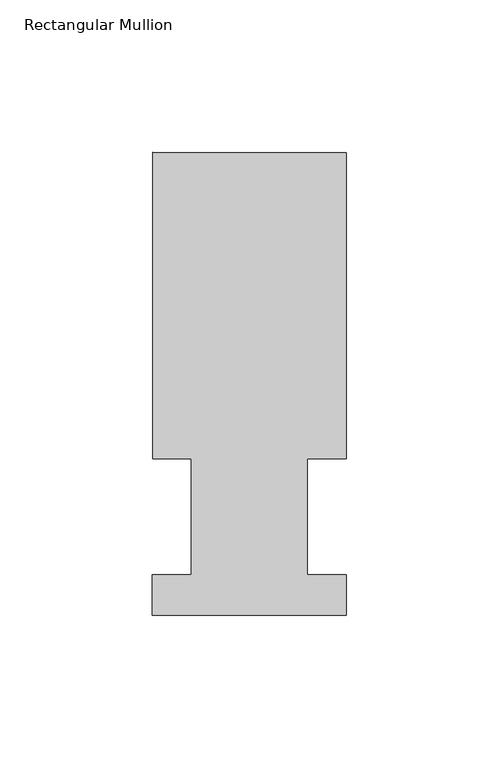
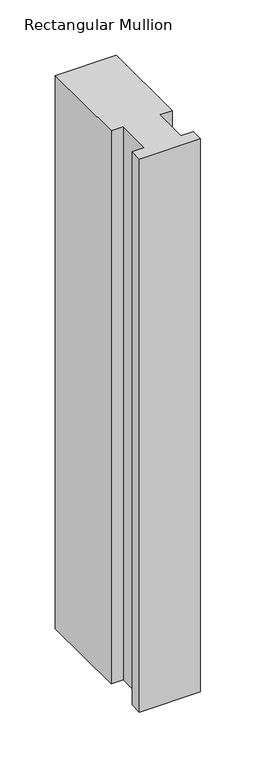
"""IFC4 building model written with IfcOpenShell, lengths in millimetres: member geometry, Rectangular Mullion."""

from ifc_helpers import new_model, si_unit, frame, origin, place, context, project, spatial, polyline, outline, extrude, source, transform, mapped, element, save


def rectangular_mullion_e28827bf(model_context):
    return source(origin(), model_context, "Body", "SweptSolid", [
        extrude(outline(polyline([(-63.5, 151.7022938), (-3e-07, 151.6960069), (-0.0099403, 51.2960938), (-12.6972404, 51.2960938), (-12.7010151, 13.1697165), (-0.013715, 13.1697165), (-0.0150208, -0.0191695), (-63.5150205, -0.0128827), (-63.5137153, 13.1697165), (-50.8137153, 13.1697165), (-50.8099406, 51.2960938), (-63.5099407, 51.2960938), (-63.5, 151.7022938)])), frame((0.0, 0.0, -609.6), z_axis=(0.0, 0.0, 1.0), x_axis=(1.0, 0.0, 0.0)), (0.0, 0.0, 1.0), 609.6),
    ])


if __name__ == "__main__":
    model = new_model("IFC4")
    model_context = context("Model", 3, world=origin())
    ifc_project = project(units=[si_unit("LENGTHUNIT", "METRE", prefix="MILLI")], contexts=[model_context])
    site = spatial("IfcSite", under=ifc_project)
    building = spatial("IfcBuilding", under=site)
    placement = place(None, origin())
    rectangular_mullion_shape = rectangular_mullion_e28827bf(model_context)
    element("IfcMember", 1, ObjectType="Rectangular Mullion", at=placement, inside=building, context=model_context, shape_type="MappedRepresentation", body=[
        mapped(rectangular_mullion_shape, transform((0.0, 0.0, 0.0), x_axis=(1.0, 0.0, 0.0), y_axis=(0.0, 1.0, 0.0), z_axis=(0.0, 0.0, 1.0))),
    ])
    save(model, "model.ifc")
